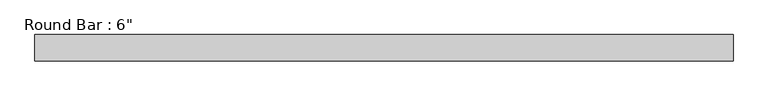
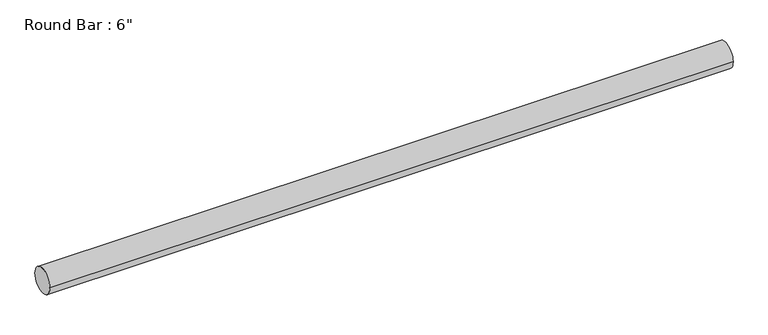
"""IFC4 building model written with IfcOpenShell, lengths in millimetres: beam geometry."""

from ifc_helpers import new_model, si_unit, point, frame, origin, origin_2d, place, context, project, spatial, circle_curve, trimmed, segment, composite_curve, outline, extrude, source, transform, mapped, element, save


def beam_dbf1505b(model_context):
    return source(origin(), model_context, "Body", "SweptSolid", [
        extrude(outline(composite_curve([segment(trimmed(circle_curve(origin_2d(), 76.2), [point((-76.2, 0.0))], [point((76.2, 0.0))], False, "CARTESIAN"), True, "CONTINUOUS"), segment(trimmed(circle_curve(origin_2d(), 76.2), [point((76.2, 0.0))], [point((-76.2, 0.0))], False, "CARTESIAN"), True, "CONTINUOUS")], self_intersect=False)), frame((-2031.2589666, 0.0, 0.0), z_axis=(1.0, 0.0, 0.0), x_axis=(0.0, 1.0, 0.0)), (0.0, 0.0, 1.0), 4028.5137336),
    ])


if __name__ == "__main__":
    model = new_model("IFC4")
    model_context = context("Model", 3, world=origin())
    ifc_project = project(units=[si_unit("LENGTHUNIT", "METRE", prefix="MILLI")], contexts=[model_context])
    site = spatial("IfcSite", under=ifc_project)
    building = spatial("IfcBuilding", under=site)
    placement = place(None, origin())
    beam_shape = beam_dbf1505b(model_context)
    element("IfcBeam", 1, ObjectType="Round Bar : 6\"", at=placement, inside=building, context=model_context, shape_type="MappedRepresentation", body=[
        mapped(beam_shape, transform((0.0, 0.0, 0.0), x_axis=(1.0, 0.0, 0.0), y_axis=(0.0, 1.0, 0.0), z_axis=(0.0, 0.0, 1.0))),
    ])
    save(model, "model.ifc")
